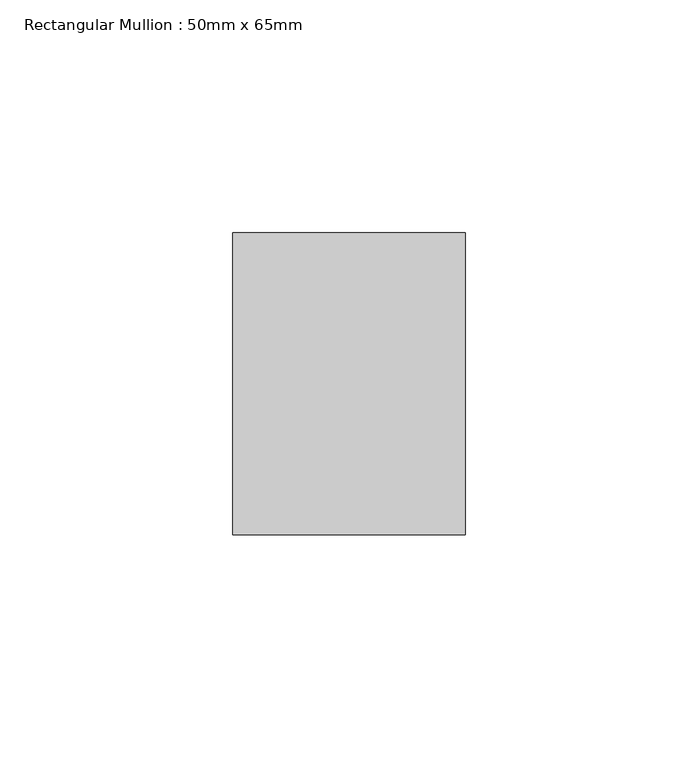
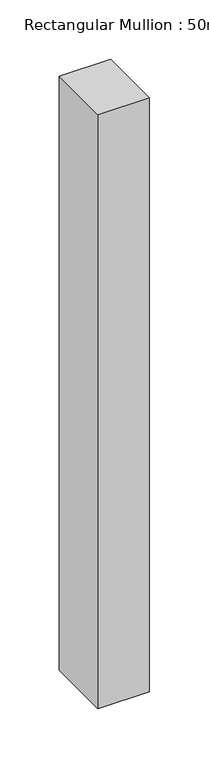
"""IFC4 building model written with IfcOpenShell, lengths in millimetres: member geometry, Rectangular Mullion : 50mm x 65mm."""

from ifc_helpers import new_model, si_unit, frame, origin, place, context, project, spatial, polyline, outline, extrude, source, transform, mapped, element, save


def rectangular_mullion_50mm_x_65mm_6f7bc06b(model_context):
    return source(origin(), model_context, "Body", "SweptSolid", [
        extrude(outline(polyline([(25.0, 32.5), (25.0, -32.5), (-25.0, -32.5), (-25.0, 32.5), (25.0, 32.5)])), frame((0.0, 0.0, -610.7646464), z_axis=(0.0, 0.0, 1.0), x_axis=(1.0, 0.0, 0.0)), (0.0, 0.0, 1.0), 610.7646464),
    ])


if __name__ == "__main__":
    model = new_model("IFC4")
    model_context = context("Model", 3, world=origin())
    ifc_project = project(units=[si_unit("LENGTHUNIT", "METRE", prefix="MILLI")], contexts=[model_context])
    site = spatial("IfcSite", under=ifc_project)
    building = spatial("IfcBuilding", under=site)
    placement = place(None, origin())
    rectangular_mullion_50mm_x_65mm_shape = rectangular_mullion_50mm_x_65mm_6f7bc06b(model_context)
    element("IfcMember", 1, ObjectType="Rectangular Mullion : 50mm x 65mm", at=placement, inside=building, context=model_context, shape_type="MappedRepresentation", body=[
        mapped(rectangular_mullion_50mm_x_65mm_shape, transform((0.0, 0.0, 0.0), x_axis=(1.0, 0.0, 0.0), y_axis=(0.0, 1.0, 0.0), z_axis=(0.0, 0.0, 1.0))),
    ])
    save(model, "model.ifc")
